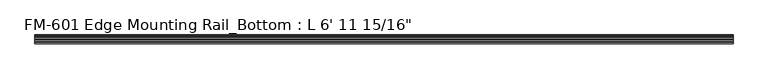
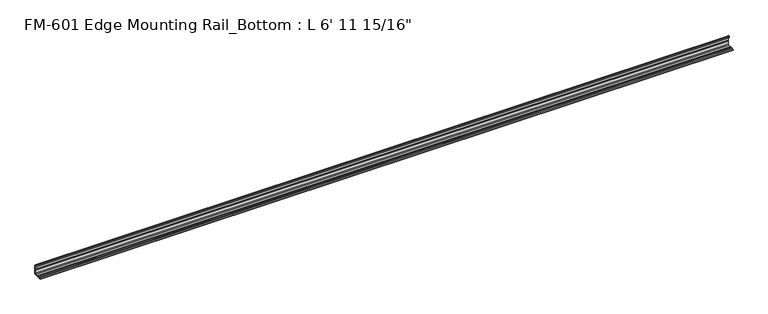
"""IFC4 building model written with IfcOpenShell, lengths in millimetres: proxy geometry."""

import ifcopenshell
import ifcopenshell.guid

model = None  # the IFC model being written
_history = None  # IfcOwnerHistory: only IFC2X3 demands one
_inside = {}  # id of a spatial element -> (the spatial element, [elements in it])
_under = {}  # id of a project, library or spatial element -> (it, [spatial elements below it])
_declared = {}  # id of a project -> (the project, [libraries it declares])
_typed = {}  # id of a type object -> (the type object, [elements of that type])
_made_of = {}  # id of a material, layer set ... -> (it, [elements and type objects made of it])


def new_model(schema):
    """Start an empty IFC model of exactly this schema.

    Asked for "IFC4X3", IfcOpenShell would pick the latest addendum, in which some entities
    have other attributes; the version numbers below select the first issue.
    IFC2X3 requires an IfcOwnerHistory on every rooted entity: one is made here for all.
    """
    global model, _history
    if schema == "IFC4X3":
        model = ifcopenshell.file(schema_version=(4, 3, 0, 0))
    else:
        model = ifcopenshell.file(schema=schema)
    _inside.clear()
    _under.clear()
    _declared.clear()
    _typed.clear()
    _made_of.clear()
    _history = None
    if model.schema == "IFC2X3":
        org = make("IfcOrganization", Name="unknown")
        user = make(
            "IfcPersonAndOrganization",
            ThePerson=make("IfcPerson", FamilyName="unknown"),
            TheOrganization=org,
        )
        app = make(
            "IfcApplication",
            ApplicationDeveloper=org,
            Version="unknown",
            ApplicationFullName="unknown",
            ApplicationIdentifier="unknown",
        )
        _history = make(
            "IfcOwnerHistory",
            OwningUser=user,
            OwningApplication=app,
            ChangeAction="ADDED",
            CreationDate=0,
        )
    return model


def make(cls, **values):
    """One entity of the class cls with the attributes given. An attribute that is None is left unset."""
    return model.create_entity(
        cls, **{name: value for name, value in values.items() if value is not None}
    )


def rooted(cls, **values):
    """An entity with a GlobalId (a new one), such as an element, a storey or a relation."""
    return make(cls, GlobalId=ifcopenshell.guid.new(), OwnerHistory=_history, **values)


def si_unit(unit_type, name, prefix=None):
    """IfcSIUnit, for example si_unit("LENGTHUNIT", "METRE", prefix="MILLI")."""
    return make("IfcSIUnit", UnitType=unit_type, Prefix=prefix, Name=name)


def assignment(units):
    """IfcUnitAssignment: the units of a project."""
    return None if units is None else make("IfcUnitAssignment", Units=units)


def point(xyz):
    """IfcCartesianPoint."""
    return None if xyz is None else make("IfcCartesianPoint", Coordinates=xyz)


def direction(xyz):
    """IfcDirection."""
    return None if xyz is None else make("IfcDirection", DirectionRatios=xyz)


def frame(location, z_axis=None, x_axis=None):
    """IfcAxis2Placement3D, a coordinate frame: its origin and axes. An axis left out is left unset."""
    return make(
        "IfcAxis2Placement3D",
        Location=point(location),
        Axis=direction(z_axis),
        RefDirection=direction(x_axis),
    )


def frame_2d(location, x_axis=None):
    """IfcAxis2Placement2D, a coordinate frame in the plane: its origin and x axis."""
    return make(
        "IfcAxis2Placement2D", Location=point(location), RefDirection=direction(x_axis)
    )


def origin():
    """The frame at (0, 0, 0) with its axes left unset."""
    return frame((0.0, 0.0, 0.0))


def place(relative_to, where):
    """IfcLocalPlacement: puts the frame where relative to a parent placement (None: the world)."""
    return make(
        "IfcLocalPlacement", PlacementRelTo=relative_to, RelativePlacement=where
    )


def context(
    kind, dimensions, precision=None, world=None, true_north=None, identifier=None
):
    """IfcGeometricRepresentationContext, for example the 3D "Model" context."""
    return make(
        "IfcGeometricRepresentationContext",
        ContextIdentifier=identifier,
        ContextType=kind,
        CoordinateSpaceDimension=dimensions,
        Precision=precision,
        WorldCoordinateSystem=world,
        TrueNorth=true_north,
    )


def project(units=None, contexts=None):
    """IfcProject with its units and contexts."""
    return rooted(
        "IfcProject",
        Name="project",
        RepresentationContexts=contexts,
        UnitsInContext=assignment(units),
    )


def spatial(cls, under=None, at=None, **own):
    """A site, building, storey or space (cls), placed at a placement, below another one or the project."""
    s = rooted(cls, ObjectPlacement=at, **own)
    if under is not None:
        _under.setdefault(under.id(), (under, []))[1].append(s)
    return s


def polyline(points):
    """IfcPolyline through the points."""
    return make("IfcPolyline", Points=[point(p) for p in points])


def circle_curve(where, radius):
    """IfcCircle in the frame where."""
    return make("IfcCircle", Position=where, Radius=radius)


def trimmed(basis, trim1, trim2, sense, master):
    """IfcTrimmedCurve: the piece of a basis curve between two trims."""
    return make(
        "IfcTrimmedCurve",
        BasisCurve=basis,
        Trim1=trim1,
        Trim2=trim2,
        SenseAgreement=sense,
        MasterRepresentation=master,
    )


def segment(curve, same_sense, transition):
    """IfcCompositeCurveSegment."""
    return make(
        "IfcCompositeCurveSegment",
        Transition=transition,
        SameSense=same_sense,
        ParentCurve=curve,
    )


def composite_curve(segments, self_intersect=None):
    """IfcCompositeCurve: segments joined end to end."""
    return make("IfcCompositeCurve", Segments=segments, SelfIntersect=self_intersect)


def outline(outer, holes=None, kind="AREA"):
    """IfcArbitraryClosedProfileDef: a profile drawn as a closed curve; with holes, ...WithVoids."""
    if holes is None:
        return make("IfcArbitraryClosedProfileDef", ProfileType=kind, OuterCurve=outer)
    return make(
        "IfcArbitraryProfileDefWithVoids",
        ProfileType=kind,
        OuterCurve=outer,
        InnerCurves=holes,
    )


def extrude(swept, where, along, depth):
    """IfcExtrudedAreaSolid: the profile swept, set in the frame where, extruded along a direction by depth."""
    return make(
        "IfcExtrudedAreaSolid",
        SweptArea=swept,
        Position=where,
        ExtrudedDirection=direction(along),
        Depth=depth,
    )


def shape(context_of_items, identifier, shape_type, items):
    """IfcShapeRepresentation: the items that make up one representation, for example the "Body"."""
    return make(
        "IfcShapeRepresentation",
        ContextOfItems=context_of_items,
        RepresentationIdentifier=identifier,
        RepresentationType=shape_type,
        Items=items,
    )


def source(mapping_origin, context_of_items, identifier, shape_type, items):
    """IfcRepresentationMap: a shape defined once, which mapped items show again and again."""
    return make(
        "IfcRepresentationMap",
        MappingOrigin=mapping_origin,
        MappedRepresentation=shape(context_of_items, identifier, shape_type, items),
    )


def transform(
    local_origin,
    x_axis=None,
    y_axis=None,
    z_axis=None,
    scale=None,
    scale2=None,
    scale3=None,
    uniform=True,
):
    """IfcCartesianTransformationOperator3D, or its non-uniform kind. x_axis, y_axis, z_axis: its Axis1, 2, 3."""
    if uniform:
        return make(
            "IfcCartesianTransformationOperator3D",
            Axis1=direction(x_axis),
            Axis2=direction(y_axis),
            LocalOrigin=point(local_origin),
            Scale=scale,
            Axis3=direction(z_axis),
        )
    return make(
        "IfcCartesianTransformationOperator3DnonUniform",
        Axis1=direction(x_axis),
        Axis2=direction(y_axis),
        LocalOrigin=point(local_origin),
        Scale=scale,
        Axis3=direction(z_axis),
        Scale2=scale2,
        Scale3=scale3,
    )


def mapped(mapping_source, mapping_target):
    """IfcMappedItem: shows the shape of a source again, moved by a transform."""
    return make(
        "IfcMappedItem", MappingSource=mapping_source, MappingTarget=mapping_target
    )


def made_of(thing, what):
    """Note that an element or type object is made of a material, layer set ...; save() writes the relation."""
    if what is not None:
        _made_of.setdefault(what.id(), (what, []))[1].append(thing)
    return thing


def element(
    cls,
    number,
    at=None,
    inside=None,
    cuts=None,
    type_object=None,
    material=None,
    context=None,
    identifier="Body",
    shape_type=None,
    held_by="IfcProductDefinitionShape",
    body=None,
    shapes=None,
    **own,
):
    """One element of the class cls, such as IfcWall. Its Tag is "e" and its number.

    at: its placement. inside: the storey or other place that contains it. cuts: it is an
    opening in that element (IfcRelVoidsElement). A single representation is given by context,
    identifier, shape_type and body (its items); several are given by shapes. held_by: the class
    of the entity that holds the representations. save() writes the other relations.
    """
    e = rooted(cls, Tag="e%d" % number, ObjectPlacement=at, **own)
    if body is not None:
        shapes = [shape(context, identifier, shape_type, body)]
    if shapes is not None:
        e.Representation = make(held_by, Representations=shapes)
    if inside is not None:
        _inside.setdefault(inside.id(), (inside, []))[1].append(e)
    if cuts is not None:
        rooted(
            "IfcRelVoidsElement", RelatingBuildingElement=cuts, RelatedOpeningElement=e
        )
    if type_object is not None:
        _typed.setdefault(type_object.id(), (type_object, []))[1].append(e)
    return made_of(e, material)


def aggregate(whole, parts):
    """IfcRelAggregates: a whole, such as a stair, and the parts it consists of."""
    return rooted("IfcRelAggregates", RelatingObject=whole, RelatedObjects=parts)


def save(model, path):
    """Write the relations noted so far, then the file.

    IfcRelAggregates (storeys below a building ...), IfcRelContainedInSpatialStructure (elements
    in a storey), IfcRelDefinesByType, IfcRelAssociatesMaterial and IfcRelDeclares: one each for
    every whole, place, type object, material and project.
    """
    for whole, parts in _under.values():
        aggregate(whole, parts)
    for where, things in _inside.values():
        rooted(
            "IfcRelContainedInSpatialStructure",
            RelatedElements=things,
            RelatingStructure=where,
        )
    for kind, things in _typed.values():
        rooted("IfcRelDefinesByType", RelatedObjects=things, RelatingType=kind)
    for what, things in _made_of.values():
        rooted("IfcRelAssociatesMaterial", RelatedObjects=things, RelatingMaterial=what)
    for by, libraries in _declared.values():
        rooted("IfcRelDeclares", RelatingContext=by, RelatedDefinitions=libraries)
    model.write(path)


def proxy_6d3683ff(model_context):
    return source(origin(), model_context, "Body", "SweptSolid", [
        extrude(outline(composite_curve([segment(polyline([(13.6400687, 32.1158903), (15.4750158, 32.6885982)]), True, "CONTINUOUS"), segment(trimmed(circle_curve(frame_2d((15.6853088, 32.2686835)), 0.4696291), [point((15.4750158, 32.6885982))], [point((16.1549378, 32.2686835))], False, "CARTESIAN"), True, "CONTINUOUS"), segment(polyline([(16.1549378, 32.2686835), (16.1549378, 30.7270734)]), True, "CONTINUOUS"), segment(trimmed(circle_curve(frame_2d((17.7424378, 30.7270734)), 1.5875), [point((16.1549378, 30.7270734))], [point((17.7424378, 29.1395734))], True, "CARTESIAN"), True, "CONTINUOUS"), segment(polyline([(17.7424378, 29.1395734), (19.05, 29.1395734), (19.05, 0.0), (-8.266326, 0.0), (-8.266326, 1.5874273), (-4.3959179, 1.5874273)]), True, "CONTINUOUS"), segment(trimmed(circle_curve(frame_2d((-2.8211179, 1.5874273)), 1.5748), [point((-4.3959179, 1.5874273))], [point((-1.2463179, 1.5874273))], False, "CARTESIAN"), True, "CONTINUOUS"), segment(polyline([(-1.2463179, 1.5874273), (3.2106952, 1.5874273)]), True, "CONTINUOUS"), segment(trimmed(circle_curve(frame_2d((4.7981954, 1.5874273)), 1.5875002), [point((3.2106952, 1.5874273))], [point((6.3856306, 1.6017951))], False, "CARTESIAN"), True, "CONTINUOUS"), segment(polyline([(6.3856306, 1.6017951), (15.5573314, 1.6102595)]), True, "CONTINUOUS"), segment(trimmed(circle_curve(frame_2d((15.5575, 3.5152595)), 1.905), [point((15.5573314, 1.6102595))], [point((17.4625, 3.5152595))], True, "CARTESIAN"), True, "CONTINUOUS"), segment(polyline([(17.4625, 3.5152595), (17.4625, 12.4909614), (17.9716639, 13.408381), (17.9716639, 14.7485418), (17.4625, 15.6659614), (17.4625, 26.8535734)]), True, "CONTINUOUS"), segment(trimmed(circle_curve(frame_2d((16.9545, 26.8535734)), 0.508), [point((17.4625, 26.8535734))], [point((16.9376166, 27.3612928))], True, "CARTESIAN"), True, "CONTINUOUS"), segment(trimmed(circle_curve(frame_2d((16.9169378, 26.5995734)), 0.762), [point((16.9376166, 27.3612928))], [point((16.1779173, 26.4138515))], True, "CARTESIAN"), True, "CONTINUOUS"), segment(trimmed(circle_curve(frame_2d((15.6245238, 26.2747792)), 0.5706009), [point((16.1779173, 26.4138515))], [point((15.4364113, 25.7360779))], False, "CARTESIAN"), True, "CONTINUOUS"), segment(polyline([(15.4364113, 25.7360779), (13.6400687, 26.2967369)]), True, "CONTINUOUS"), segment(trimmed(circle_curve(frame_2d((14.5481808, 29.2063136)), 3.048), [point((13.6400687, 26.2967369))], [point((11.9462301, 30.7938136))], False, "CARTESIAN"), True, "CONTINUOUS"), segment(trimmed(circle_curve(frame_2d((14.5481808, 29.2063136)), 3.048), [point((11.9462301, 30.7938136))], [point((13.6400687, 32.1158903))], False, "CARTESIAN"), True, "CONTINUOUS")], self_intersect=False)), frame((-1827.2125, 0.0, 0.0), z_axis=(1.0, 0.0, 0.0), x_axis=(0.0, 1.0, 0.0)), (0.0, 0.0, 1.0), 2132.0125),
    ])


if __name__ == "__main__":
    model = new_model("IFC4")
    model_context = context("Model", 3, world=origin())
    ifc_project = project(units=[si_unit("LENGTHUNIT", "METRE", prefix="MILLI")], contexts=[model_context])
    site = spatial("IfcSite", under=ifc_project)
    building = spatial("IfcBuilding", under=site)
    placement = place(None, origin())
    proxy_shape = proxy_6d3683ff(model_context)
    element("IfcBuildingElementProxy", 1, Name="FM-601 Edge Mounting Rail_Bottom : L 6' 11 15/16\"", ObjectType="FM-601 Edge Mounting Rail_Bottom : L 6' 11 15/16\"", at=placement, inside=building, context=model_context, shape_type="MappedRepresentation", body=[
        mapped(proxy_shape, transform((0.0, 0.0, 0.0), x_axis=(1.0, 0.0, 0.0), y_axis=(0.0, 1.0, 0.0), z_axis=(0.0, 0.0, 1.0))),
    ])
    save(model, "model.ifc")
